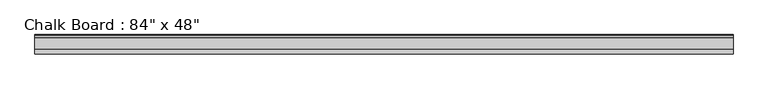
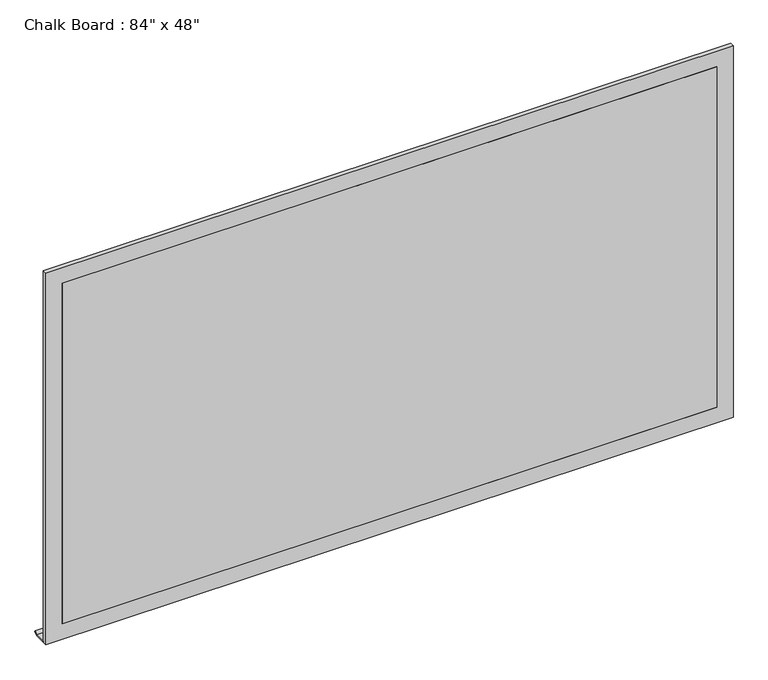
"""IFC4 building model written with IfcOpenShell, lengths in millimetres: proxy geometry."""

from ifc_helpers import new_model, si_unit, frame, origin, place, context, project, spatial, polyline, outline, extrude, source, transform, mapped, element, save


def proxy_905d8e32(model_context):
    return source(origin(), model_context, "Body", "SweptSolid", [
        extrude(outline(polyline([(146.3624183, 685.9677599), (109.5375, 685.9677599), (109.5375, 689.2806122), (145.2181303, 689.2806122), (153.1141043, 697.1765861), (155.3426744, 694.948016), (146.3624183, 685.9677599)])), frame((-1163.7484337, 0.0, 0.0), z_axis=(1.0, 0.0, 0.0), x_axis=(0.0, 1.0, 0.0)), (0.0, 0.0, 1.0), 2133.6),
        extrude(outline(polyline([(-1112.9484337, 103.1875), (919.0515663, 103.1875), (919.0515663, 96.8375), (-1112.9484337, 96.8375), (-1112.9484337, 103.1875)])), frame((0.0, 0.0, 736.6), z_axis=(0.0, 0.0, 1.0), x_axis=(1.0, 0.0, 0.0)), (0.0, 0.0, 1.0), 1117.6),
        extrude(outline(polyline([(1905.0, -1163.7484337), (685.8, -1163.7484337), (685.8, 969.8515663), (1905.0, 969.8515663), (1905.0, -1163.7484337)]), holes=[polyline([(1854.2, -1112.9484337), (1854.2, 919.0515663), (736.6, 919.0515663), (736.6, -1112.9484337), (1854.2, -1112.9484337)])]), frame((0.0, 96.8375, 0.0), z_axis=(0.0, 1.0, 0.0), x_axis=(0.0, 0.0, 1.0)), (0.0, 0.0, 1.0), 12.7),
    ])


if __name__ == "__main__":
    model = new_model("IFC4")
    model_context = context("Model", 3, world=origin())
    ifc_project = project(units=[si_unit("LENGTHUNIT", "METRE", prefix="MILLI")], contexts=[model_context])
    site = spatial("IfcSite", under=ifc_project)
    building = spatial("IfcBuilding", under=site)
    placement = place(None, origin())
    proxy_shape = proxy_905d8e32(model_context)
    element("IfcBuildingElementProxy", 1, Name="Chalk Board : 84\" x 48\"", ObjectType="Chalk Board : 84\" x 48\"", at=placement, inside=building, context=model_context, shape_type="MappedRepresentation", body=[
        mapped(proxy_shape, transform((0.0, 0.0, 0.0), x_axis=(1.0, 0.0, 0.0), y_axis=(0.0, 1.0, 0.0), z_axis=(0.0, 0.0, 1.0))),
    ])
    save(model, "model.ifc")
